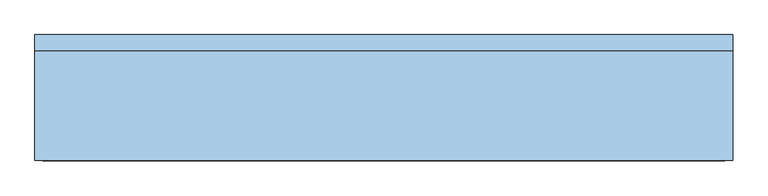
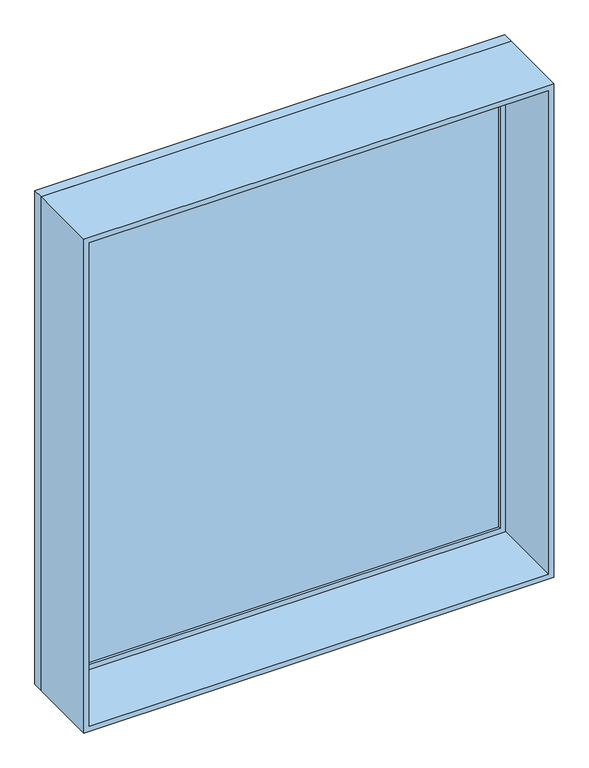
"""IFC4 building model written with IfcOpenShell, lengths in millimetres: window geometry."""

from ifc_helpers import new_model, si_unit, frame, origin, place, context, project, spatial, polyline, outline, extrude, source, transform, mapped, element, save


def window_a17512b5(model_context):
    return source(origin(), model_context, "Body", "SweptSolid", [
        extrude(outline(polyline([(1270.0, 200.025), (-1346.2, 200.025), (-1346.2, 212.725), (1270.0, 212.725), (1270.0, 200.025)])), frame((0.0, 0.0, 977.9), z_axis=(0.0, 0.0, 1.0), x_axis=(1.0, 0.0, 0.0)), (0.0, 0.0, 1.0), 2921.0),
        extrude(outline(polyline([(3943.35, -1390.65), (933.45, -1390.65), (933.45, 1314.45), (3943.35, 1314.45), (3943.35, -1390.65)]), holes=[polyline([(3898.9, -1346.2), (3898.9, 1270.0), (977.9, 1270.0), (977.9, -1346.2), (3898.9, -1346.2)])]), frame((0.0, 184.15, 0.0), z_axis=(0.0, 1.0, 0.0), x_axis=(0.0, 0.0, 1.0)), (0.0, 0.0, 1.0), 44.45),
        extrude(outline(polyline([(3962.4, -1409.7), (914.4, -1409.7), (914.4, 1333.5), (3962.4, 1333.5), (3962.4, -1409.7)]), holes=[polyline([(3930.65, -1377.95), (3930.65, 1301.75), (946.15, 1301.75), (946.15, -1377.95), (3930.65, -1377.95)])]), frame((0.0, -247.65, 0.0), z_axis=(0.0, 1.0, 0.0), x_axis=(0.0, 0.0, 1.0)), (0.0, 0.0, 1.0), 431.8),
        extrude(outline(polyline([(3962.4, 1333.5), (3962.4, -1409.7), (914.4, -1409.7), (914.4, 1333.5), (3962.4, 1333.5)]), holes=[polyline([(3943.35, 1314.45), (933.45, 1314.45), (933.45, -1390.65), (3943.35, -1390.65), (3943.35, 1314.45)])]), frame((0.0, 184.15, 0.0), z_axis=(0.0, 1.0, 0.0), x_axis=(0.0, 0.0, 1.0)), (0.0, 0.0, 1.0), 63.5),
    ])


if __name__ == "__main__":
    model = new_model("IFC4")
    model_context = context("Model", 3, world=origin())
    ifc_project = project(units=[si_unit("LENGTHUNIT", "METRE", prefix="MILLI")], contexts=[model_context])
    site = spatial("IfcSite", under=ifc_project)
    building = spatial("IfcBuilding", under=site)
    placement = place(None, origin())
    window_shape = window_a17512b5(model_context)
    element("IfcWindow", 1, at=placement, inside=building, context=model_context, shape_type="MappedRepresentation", body=[
        mapped(window_shape, transform((0.0, 0.0, 0.0), x_axis=(1.0, 0.0, 0.0), y_axis=(0.0, 1.0, 0.0), z_axis=(0.0, 0.0, 1.0))),
    ])
    save(model, "model.ifc")
